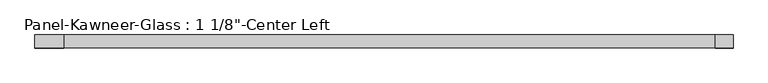
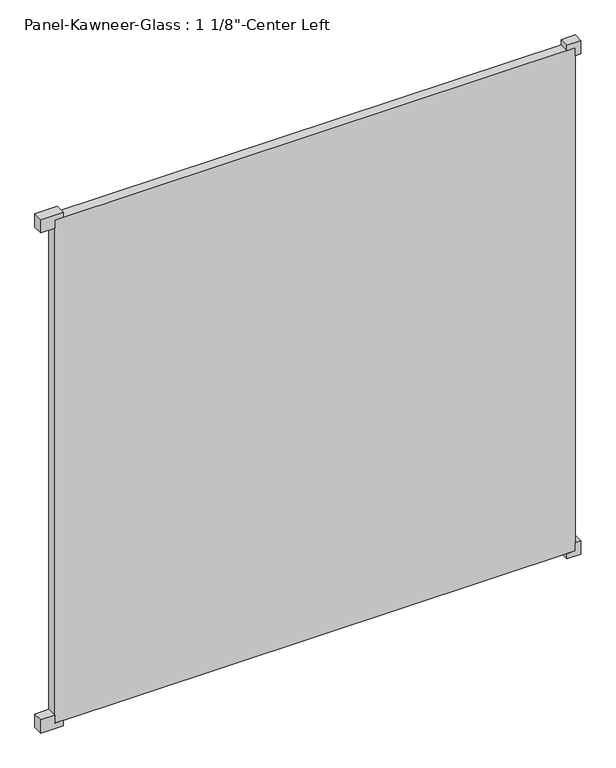
"""IFC4 building model written with IfcOpenShell, lengths in millimetres: plate geometry."""

from ifc_helpers import new_model, si_unit, frame, origin, origin_with_axes, place, context, project, spatial, polyline, outline, extrude, source, transform, mapped, element, save


def plate_42d81aa6(model_context):
    return source(origin(), model_context, "Body", "SweptSolid", [
        extrude(outline(polyline([(-15.875, 714.375), (-15.875, 754.0625), (23.8125, 754.0625), (23.8125, 738.1875), (0.0, 738.1875), (0.0, 714.375), (-15.875, 714.375)])), frame((0.0, -14.2210761, 0.0), z_axis=(0.0, 1.0, 0.0), x_axis=(0.0, 0.0, 1.0)), (0.0, 0.0, 1.0), 28.575),
        extrude(outline(polyline([(-15.875, -714.375), (0.0, -714.375), (0.0, -738.1875), (23.8125, -738.1875), (23.8125, -777.875), (-15.875, -777.875), (-15.875, -714.375)])), frame((0.0, -14.2210761, 0.0), z_axis=(0.0, 1.0, 0.0), x_axis=(0.0, 0.0, 1.0)), (0.0, 0.0, 1.0), 28.575),
        extrude(outline(polyline([(1524.0, 714.375), (1508.125, 714.375), (1508.125, 738.1875), (1484.3125, 738.1875), (1484.3125, 754.0625), (1524.0, 754.0625), (1524.0, 714.375)])), frame((0.0, -14.2210761, 0.0), z_axis=(0.0, 1.0, 0.0), x_axis=(0.0, 0.0, 1.0)), (0.0, 0.0, 1.0), 28.575),
        extrude(outline(polyline([(1524.0, -714.375), (1524.0, -777.875), (1484.3125, -777.875), (1484.3125, -738.1875), (1508.125, -738.1875), (1508.125, -714.375), (1524.0, -714.375)])), frame((0.0, -14.2210761, 0.0), z_axis=(0.0, 1.0, 0.0), x_axis=(0.0, 0.0, 1.0)), (0.0, 0.0, 1.0), 28.575),
        extrude(outline(polyline([(738.1875, 14.3539239), (738.1875, -14.2210761), (-738.1875, -14.2210761), (-738.1875, 14.3539239), (738.1875, 14.3539239)])), origin_with_axes(), (0.0, 0.0, 1.0), 1508.125),
    ])


if __name__ == "__main__":
    model = new_model("IFC4")
    model_context = context("Model", 3, world=origin())
    ifc_project = project(units=[si_unit("LENGTHUNIT", "METRE", prefix="MILLI")], contexts=[model_context])
    site = spatial("IfcSite", under=ifc_project)
    building = spatial("IfcBuilding", under=site)
    placement = place(None, origin())
    plate_shape = plate_42d81aa6(model_context)
    element("IfcPlate", 1, ObjectType="Panel-Kawneer-Glass : 1 1/8\"-Center Left", at=placement, inside=building, context=model_context, shape_type="MappedRepresentation", body=[
        mapped(plate_shape, transform((0.0, 0.0, 0.0), x_axis=(1.0, 0.0, 0.0), y_axis=(0.0, 1.0, 0.0), z_axis=(0.0, 0.0, 1.0))),
    ])
    save(model, "model.ifc")
